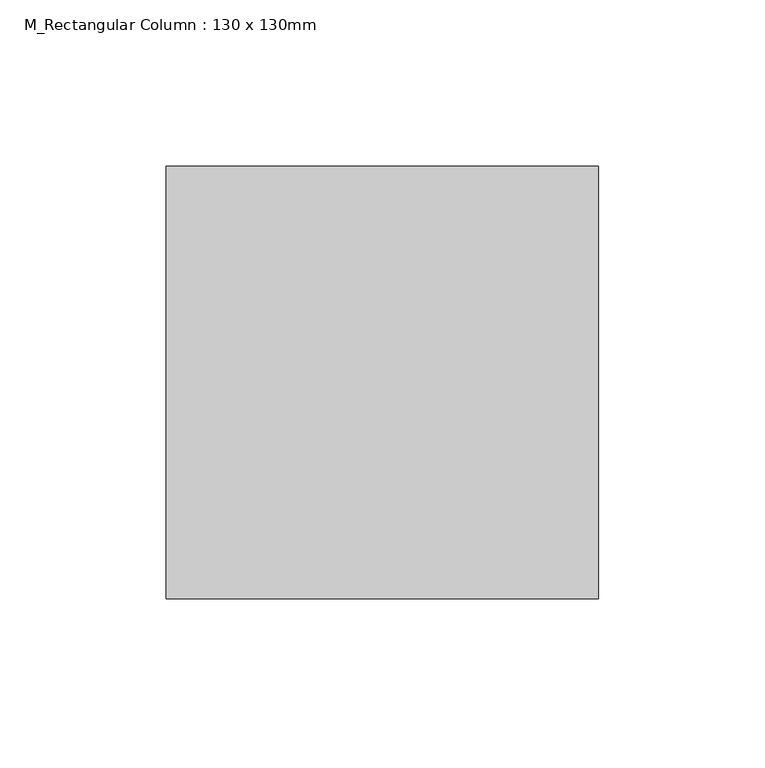
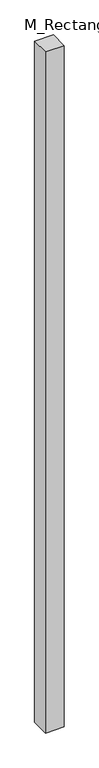
"""IFC4 building model written with IfcOpenShell, lengths in millimetres: column geometry, M_Rectangular Column : 130 x 130mm."""

from ifc_helpers import new_model, si_unit, frame, origin, place, context, project, spatial, polyline, outline, extrude, source, transform, mapped, element, save


def m_rectangular_column_130_x_130mm_97d114a5(model_context):
    return source(origin(), model_context, "Body", "SweptSolid", [
        extrude(outline(polyline([(65.0, 65.0), (65.0, -65.0), (-65.0, -65.0), (-65.0, 65.0), (65.0, 65.0)])), frame((0.0, 0.0, 22190.0), z_axis=(0.0, 0.0, 1.0), x_axis=(1.0, 0.0, 0.0)), (0.0, 0.0, 1.0), 5020.0),
    ])


if __name__ == "__main__":
    model = new_model("IFC4")
    model_context = context("Model", 3, world=origin())
    ifc_project = project(units=[si_unit("LENGTHUNIT", "METRE", prefix="MILLI")], contexts=[model_context])
    site = spatial("IfcSite", under=ifc_project)
    building = spatial("IfcBuilding", under=site)
    placement = place(None, origin())
    m_rectangular_column_130_x_130mm_shape = m_rectangular_column_130_x_130mm_97d114a5(model_context)
    element("IfcColumn", 1, ObjectType="M_Rectangular Column : 130 x 130mm", at=placement, inside=building, context=model_context, shape_type="MappedRepresentation", body=[
        mapped(m_rectangular_column_130_x_130mm_shape, transform((0.0, 0.0, 0.0), x_axis=(1.0, 0.0, 0.0), y_axis=(0.0, 1.0, 0.0), z_axis=(0.0, 0.0, 1.0))),
    ])
    save(model, "model.ifc")
